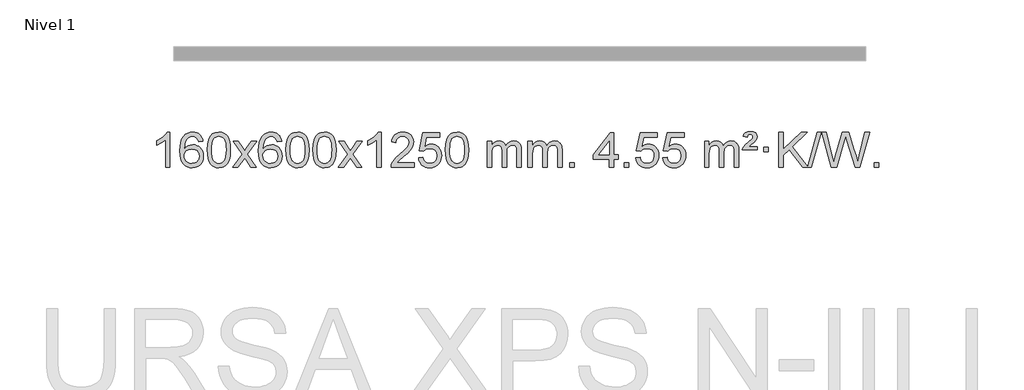
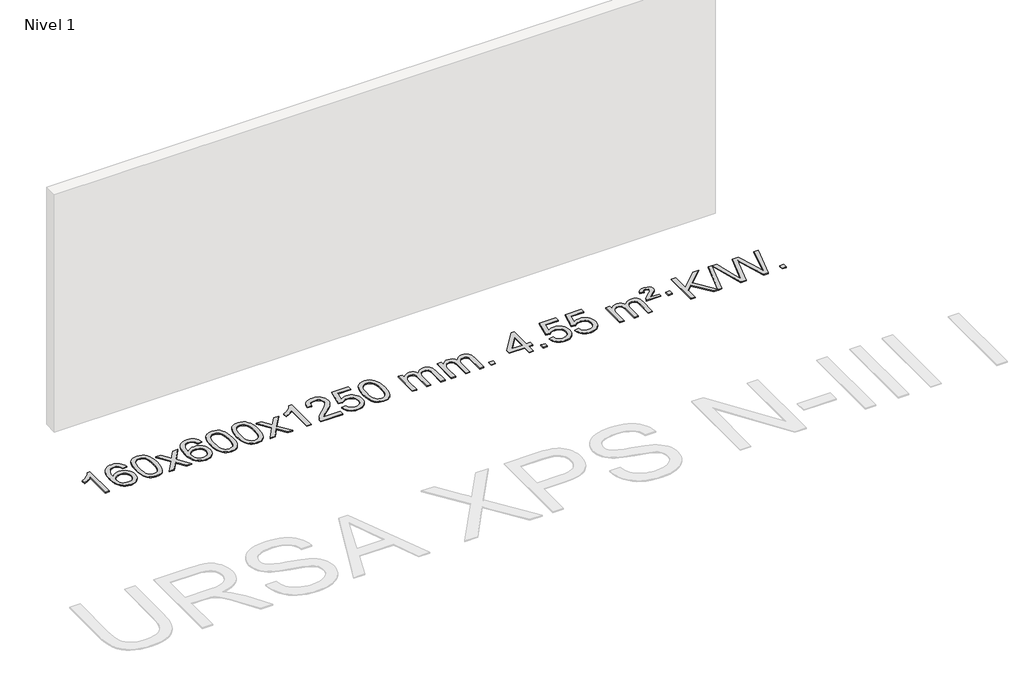
# One storey, part 2 of 9: 1 proxy.
"""IFC4 building model written with IfcOpenShell, lengths in millimetres."""

from ifc_helpers import new_model, si_unit, origin, origin_with_axes, place, context, project, spatial, polyline, outline, extrude, element, save

model = new_model("IFC4")

# Units and contexts
model_context = context("Model", 3, world=origin())
ifc_project = project(units=[si_unit("LENGTHUNIT", "METRE", prefix="MILLI")], contexts=[model_context])

# Site, building, storey
site = spatial("IfcSite", under=ifc_project)
building = spatial("IfcBuilding", under=site)
storey = spatial("IfcBuildingStorey", under=building, Name="Nivel 1", Elevation=0.0)

# Proxy
placement = place(None, origin())
element("IfcBuildingElementProxy", 1, Name="Texto de modelo 1", ObjectType="Texto de modelo 1", at=placement, inside=storey, context=model_context, shape_type="SweptSolid", body=[
    extrude(outline(polyline([(-6575.4615788, -18389.579453), (-6625.6897338, -18389.579453), (-6625.6897338, -18076.4382987), (-6646.6590076, -18093.3976587), (-6673.2691385, -18110.3324932), (-6726.146044, -18135.6918254), (-6726.146044, -18088.2105225), (-6686.6968314, -18066.7507395), (-6652.520594, -18041.219729), (-6625.5793692, -18014.0700378), (-6607.8351943, -17987.7542124), (-6575.4615788, -17987.7542124), (-6575.4615788, -18389.579453)])), origin_with_axes(), (0.0, 0.0, 1.0), 10.0),
    extrude(outline(polyline([(-6198.7504157, -18094.4890419), (-6248.9785708, -18100.7675613), (-6257.0719747, -18075.874213), (-6268.0103327, -18058.8780648), (-6290.7944909, -18043.2062918), (-6318.3365896, -18037.9823675), (-6341.6848336, -18041.0235253), (-6363.6596514, -18050.1469988), (-6382.5319978, -18069.3627017), (-6397.9462534, -18095.8134171), (-6408.3573138, -18133.227016), (-6412.2200748, -18185.3313693), (-6392.0724042, -18161.8237098), (-6367.9270826, -18145.2567573), (-6341.1330106, -18135.434308), (-6313.0390889, -18132.1601582), (-6288.90603, -18134.398107), (-6266.6369065, -18141.1119534), (-6246.2317185, -18152.3016975), (-6227.690466, -18167.9673391), (-6212.2823418, -18187.1769106), (-6201.2765387, -18208.9984443), (-6194.6730569, -18233.4319401), (-6192.4718963, -18260.4773982), (-6196.6167001, -18296.4439945), (-6209.0511116, -18329.786366), (-6228.745061, -18358.0642287), (-6254.668479, -18378.8372987), (-6285.644143, -18391.602804), (-6320.4948306, -18395.8579724), (-6350.4373594, -18393.0375437), (-6377.4797517, -18384.5762579), (-6401.6220076, -18370.4741147), (-6422.8641272, -18350.7311143), (-6440.1821721, -18324.5133908), (-6452.5522042, -18290.9870783), (-6459.9742234, -18250.1521768), (-6462.4482298, -18202.0086864), (-6459.7013776, -18148.0342663), (-6451.4608209, -18101.9693092), (-6437.7265598, -18063.8138149), (-6418.4985942, -18033.5677835), (-6397.6580791, -18013.5243462), (-6373.4943634, -17999.2076052), (-6346.007447, -17990.6175606), (-6315.1973299, -17987.7542124), (-6292.0636838, -17989.5261773), (-6271.1250669, -17994.8420722), (-6252.3814792, -18003.7018969), (-6235.8329208, -18016.1056515), (-6221.9269814, -18031.6364031), (-6211.1112507, -18049.8772186), (-6203.3857288, -18070.8280983), (-6198.7504157, -18094.4890419)]), holes=[polyline([(-6412.2200748, -18259.6925832), (-6409.313807, -18281.9494439), (-6400.5950037, -18303.2007605), (-6387.0569463, -18321.472233), (-6369.6929161, -18334.7895612), (-6348.7359051, -18342.9197533), (-6324.4189053, -18345.6298173), (-6291.2727375, -18340.0134855), (-6277.357601, -18332.9930708), (-6265.2144295, -18323.1644901), (-6255.3643891, -18310.9262824), (-6248.3286459, -18296.6769865), (-6242.7000514, -18262.1451299), (-6248.2550695, -18228.9989621), (-6255.1988422, -18215.3781312), (-6264.9201239, -18203.725469), (-6277.1000836, -18194.3904634), (-6291.4198903, -18187.7226022), (-6326.4790444, -18182.3883133), (-6359.5761613, -18187.7226022), (-6387.25315, -18203.725469), (-6398.1761796, -18215.2248471), (-6405.9783436, -18228.3858254), (-6410.659642, -18243.2084042), (-6412.2200748, -18259.6925832)])]), origin_with_axes(), (0.0, 0.0, 1.0), 10.0),
    extrude(outline(polyline([(-6148.5222606, -18191.9041943), (-6144.8311779, -18127.5861588), (-6133.7579299, -18076.2911459), (-6115.4128811, -18037.2343407), (-6103.5548181, -18022.0009605), (-6089.9063961, -18009.6309284), (-6074.4216298, -18000.0598651), (-6057.0545339, -17993.2233914), (-6016.6733536, -17987.7542124), (-5985.722215, -17990.991574), (-5958.0084381, -18000.7036586), (-5934.8318724, -18016.5103217), (-5917.4923677, -18038.0314184), (-5904.3957686, -18065.0830078), (-5893.94792, -18097.4811488), (-5887.1053149, -18138.6226186), (-5884.8244465, -18191.9041943), (-5888.478741, -18255.8543477), (-5899.4416244, -18307.0267333), (-5917.6763087, -18346.1203266), (-5929.5067805, -18361.3996922), (-5943.1460055, -18373.8341036), (-5958.6491659, -18383.4695462), (-5976.071444, -18390.3520052), (-6016.6733536, -18395.8579724), (-6044.3380796, -18393.4667394), (-6068.8635459, -18386.2930405), (-6090.2497526, -18374.3368757), (-6108.4966996, -18357.5982449), (-6126.0078825, -18327.3399508), (-6138.5158704, -18289.6381776), (-6146.0206631, -18244.4929255), (-6148.5222606, -18191.9041943)]), holes=[polyline([(-6098.2941056, -18191.8060924), (-6096.8225776, -18235.4706195), (-6092.4079936, -18270.8148822), (-6085.0503537, -18297.8388804), (-6074.7496579, -18316.5426142), (-6062.290721, -18329.2682656), (-6048.4583579, -18338.3580165), (-6033.2525688, -18343.8118671), (-6016.6733536, -18345.6298173), (-6000.0941383, -18343.8057357), (-5984.8883492, -18338.3334911), (-5971.0559862, -18329.2130833), (-5958.5970493, -18316.4445124), (-5948.2963534, -18297.7101217), (-5940.9387135, -18270.6922549), (-5936.5241295, -18235.3909118), (-5935.0526016, -18191.8060924), (-5936.4750786, -18149.2973278), (-5940.7425098, -18114.5753989), (-5947.854895, -18087.6403055), (-5957.8122343, -18068.4920476), (-5970.0627048, -18055.1440625), (-5984.0544833, -18045.6097875), (-5999.78757, -18039.8892225), (-6017.2619648, -18037.9823675), (-6033.7553409, -18039.6623619), (-6048.7036126, -18044.7023452), (-6062.10678, -18053.1023175), (-6073.9648429, -18064.8622786), (-6084.6088953, -18085.708925), (-6092.2117899, -18113.8151094), (-6096.7735266, -18149.1808319), (-6098.2941056, -18191.8060924)])]), origin_with_axes(), (0.0, 0.0, 1.0), 10.0),
    extrude(outline(polyline([(-5859.7103689, -18389.579453), (-5752.3869282, -18241.2494325), (-5853.4318496, -18094.4890419), (-5793.0011005, -18094.4890419), (-5744.2444734, -18165.122385), (-5721.4848406, -18198.4770192), (-5701.7663657, -18171.2047007), (-5646.2407099, -18094.4890419), (-5585.8099608, -18094.4890419), (-5691.9561791, -18241.2494325), (-5589.7340354, -18389.579453), (-5650.1647845, -18389.579453), (-5711.6746541, -18300.4048574), (-5722.9563686, -18284.1199477), (-5799.2796199, -18389.579453), (-5859.7103689, -18389.579453)])), origin_with_axes(), (0.0, 0.0, 1.0), 10.0),
    extrude(outline(polyline([(-5300.9221437, -18094.4890419), (-5351.1502988, -18100.7675613), (-5359.2437027, -18075.874213), (-5370.1820607, -18058.8780648), (-5392.9662189, -18043.2062918), (-5420.5083176, -18037.9823675), (-5443.8565616, -18041.0235253), (-5465.8313794, -18050.1469988), (-5484.7037258, -18069.3627017), (-5500.1179814, -18095.8134171), (-5510.5290419, -18133.227016), (-5514.3918028, -18185.3313693), (-5494.2441322, -18161.8237098), (-5470.0988106, -18145.2567573), (-5443.3047386, -18135.434308), (-5415.2108169, -18132.1601582), (-5391.077758, -18134.398107), (-5368.8086346, -18141.1119534), (-5348.4034466, -18152.3016975), (-5329.862194, -18167.9673391), (-5314.4540698, -18187.1769106), (-5303.4482668, -18208.9984443), (-5296.844785, -18233.4319401), (-5294.6436244, -18260.4773982), (-5298.7884282, -18296.4439945), (-5311.2228396, -18329.786366), (-5330.9167891, -18358.0642287), (-5356.840207, -18378.8372987), (-5387.815871, -18391.602804), (-5422.6665587, -18395.8579724), (-5452.6090874, -18393.0375437), (-5479.6514797, -18384.5762579), (-5503.7937357, -18370.4741147), (-5525.0358552, -18350.7311143), (-5542.3539001, -18324.5133908), (-5554.7239322, -18290.9870783), (-5562.1459515, -18250.1521768), (-5564.6199579, -18202.0086864), (-5561.8731057, -18148.0342663), (-5553.632549, -18101.9693092), (-5539.8982878, -18063.8138149), (-5520.6703222, -18033.5677835), (-5499.8298072, -18013.5243462), (-5475.6660915, -17999.2076052), (-5448.179175, -17990.6175606), (-5417.3690579, -17987.7542124), (-5394.2354118, -17989.5261773), (-5373.2967949, -17994.8420722), (-5354.5532073, -18003.7018969), (-5338.0046489, -18016.1056515), (-5324.0987094, -18031.6364031), (-5313.2829788, -18049.8772186), (-5305.5574569, -18070.8280983), (-5300.9221437, -18094.4890419)]), holes=[polyline([(-5514.3918028, -18259.6925832), (-5511.485535, -18281.9494439), (-5502.7667318, -18303.2007605), (-5489.2286743, -18321.472233), (-5471.8646442, -18334.7895612), (-5450.9076332, -18342.9197533), (-5426.5906333, -18345.6298173), (-5393.4444655, -18340.0134855), (-5379.5293291, -18332.9930708), (-5367.3861575, -18323.1644901), (-5357.5361171, -18310.9262824), (-5350.500374, -18296.6769865), (-5344.8717794, -18262.1451299), (-5350.4267976, -18228.9989621), (-5357.3705702, -18215.3781312), (-5367.0918519, -18203.725469), (-5379.2718117, -18194.3904634), (-5393.5916183, -18187.7226022), (-5428.6507725, -18182.3883133), (-5461.7478893, -18187.7226022), (-5489.4248781, -18203.725469), (-5500.3479076, -18215.2248471), (-5508.1500716, -18228.3858254), (-5512.83137, -18243.2084042), (-5514.3918028, -18259.6925832)])]), origin_with_axes(), (0.0, 0.0, 1.0), 10.0),
    extrude(outline(polyline([(-5250.6939887, -18191.9041943), (-5247.002906, -18127.5861588), (-5235.9296579, -18076.2911459), (-5217.5846091, -18037.2343407), (-5205.7265461, -18022.0009605), (-5192.0781241, -18009.6309284), (-5176.5933578, -18000.0598651), (-5159.2262619, -17993.2233914), (-5118.8450816, -17987.7542124), (-5087.8939431, -17990.991574), (-5060.1801661, -18000.7036586), (-5037.0036004, -18016.5103217), (-5019.6640957, -18038.0314184), (-5006.5674967, -18065.0830078), (-4996.119648, -18097.4811488), (-4989.2770429, -18138.6226186), (-4986.9961745, -18191.9041943), (-4990.650469, -18255.8543477), (-5001.6133525, -18307.0267333), (-5019.8480367, -18346.1203266), (-5031.6785085, -18361.3996922), (-5045.3177335, -18373.8341036), (-5060.8208939, -18383.4695462), (-5078.2431721, -18390.3520052), (-5118.8450816, -18395.8579724), (-5146.5098076, -18393.4667394), (-5171.035274, -18386.2930405), (-5192.4214806, -18374.3368757), (-5210.6684276, -18357.5982449), (-5228.1796106, -18327.3399508), (-5240.6875984, -18289.6381776), (-5248.1923911, -18244.4929255), (-5250.6939887, -18191.9041943)]), holes=[polyline([(-5200.4658336, -18191.8060924), (-5198.9943056, -18235.4706195), (-5194.5797217, -18270.8148822), (-5187.2220818, -18297.8388804), (-5176.9213859, -18316.5426142), (-5164.462449, -18329.2682656), (-5150.630086, -18338.3580165), (-5135.4242968, -18343.8118671), (-5118.8450816, -18345.6298173), (-5102.2658663, -18343.8057357), (-5087.0600772, -18338.3334911), (-5073.2277142, -18329.2130833), (-5060.7687773, -18316.4445124), (-5050.4680814, -18297.7101217), (-5043.1104415, -18270.6922549), (-5038.6958576, -18235.3909118), (-5037.2243296, -18191.8060924), (-5038.6468066, -18149.2973278), (-5042.9142378, -18114.5753989), (-5050.026623, -18087.6403055), (-5059.9839624, -18068.4920476), (-5072.2344328, -18055.1440625), (-5086.2262114, -18045.6097875), (-5101.959298, -18039.8892225), (-5119.4336928, -18037.9823675), (-5135.9270689, -18039.6623619), (-5150.8753406, -18044.7023452), (-5164.278508, -18053.1023175), (-5176.136571, -18064.8622786), (-5186.7806234, -18085.708925), (-5194.3835179, -18113.8151094), (-5198.9452547, -18149.1808319), (-5200.4658336, -18191.8060924)])]), origin_with_axes(), (0.0, 0.0, 1.0), 10.0),
    extrude(outline(polyline([(-4943.0465388, -18191.9041943), (-4939.3554561, -18127.5861588), (-4928.2822081, -18076.2911459), (-4909.9371593, -18037.2343407), (-4898.0790963, -18022.0009605), (-4884.4306743, -18009.6309284), (-4868.945908, -18000.0598651), (-4851.5788121, -17993.2233914), (-4811.1976318, -17987.7542124), (-4780.2464932, -17990.991574), (-4752.5327163, -18000.7036586), (-4729.3561506, -18016.5103217), (-4712.0166459, -18038.0314184), (-4698.9200468, -18065.0830078), (-4688.4721982, -18097.4811488), (-4681.6295931, -18138.6226186), (-4679.3487247, -18191.9041943), (-4683.0030192, -18255.8543477), (-4693.9659026, -18307.0267333), (-4712.2005869, -18346.1203266), (-4724.0310587, -18361.3996922), (-4737.6702837, -18373.8341036), (-4753.1734441, -18383.4695462), (-4770.5957222, -18390.3520052), (-4811.1976318, -18395.8579724), (-4838.8623578, -18393.4667394), (-4863.3878241, -18386.2930405), (-4884.7740308, -18374.3368757), (-4903.0209778, -18357.5982449), (-4920.5321607, -18327.3399508), (-4933.0401486, -18289.6381776), (-4940.5449413, -18244.4929255), (-4943.0465388, -18191.9041943)]), holes=[polyline([(-4892.8183838, -18191.8060924), (-4891.3468558, -18235.4706195), (-4886.9322718, -18270.8148822), (-4879.5746319, -18297.8388804), (-4869.2739361, -18316.5426142), (-4856.8149992, -18329.2682656), (-4842.9826361, -18338.3580165), (-4827.776847, -18343.8118671), (-4811.1976318, -18345.6298173), (-4794.6184165, -18343.8057357), (-4779.4126274, -18338.3334911), (-4765.5802644, -18329.2130833), (-4753.1213275, -18316.4445124), (-4742.8206316, -18297.7101217), (-4735.4629917, -18270.6922549), (-4731.0484077, -18235.3909118), (-4729.5768798, -18191.8060924), (-4730.9993568, -18149.2973278), (-4735.266788, -18114.5753989), (-4742.3791732, -18087.6403055), (-4752.3365125, -18068.4920476), (-4764.586983, -18055.1440625), (-4778.5787615, -18045.6097875), (-4794.3118482, -18039.8892225), (-4811.786243, -18037.9823675), (-4828.2796191, -18039.6623619), (-4843.2278908, -18044.7023452), (-4856.6310582, -18053.1023175), (-4868.4891211, -18064.8622786), (-4879.1331735, -18085.708925), (-4886.7360681, -18113.8151094), (-4891.2978048, -18149.1808319), (-4892.8183838, -18191.8060924)])]), origin_with_axes(), (0.0, 0.0, 1.0), 10.0),
    extrude(outline(polyline([(-4654.2346472, -18389.579453), (-4546.9112064, -18241.2494325), (-4647.9561278, -18094.4890419), (-4587.5253787, -18094.4890419), (-4538.7687516, -18165.122385), (-4516.0091188, -18198.4770192), (-4496.2906439, -18171.2047007), (-4440.7649881, -18094.4890419), (-4380.334239, -18094.4890419), (-4486.4804574, -18241.2494325), (-4384.2583136, -18389.579453), (-4444.6890627, -18389.579453), (-4506.1989323, -18300.4048574), (-4517.4806468, -18284.1199477), (-4593.8038981, -18389.579453), (-4654.2346472, -18389.579453)])), origin_with_axes(), (0.0, 0.0, 1.0), 10.0),
    extrude(outline(polyline([(-4164.5101352, -18389.579453), (-4214.7382902, -18389.579453), (-4214.7382902, -18076.4382987), (-4235.707564, -18093.3976587), (-4262.317695, -18110.3324932), (-4315.1946004, -18135.6918254), (-4315.1946004, -18088.2105225), (-4275.7453878, -18066.7507395), (-4241.5691504, -18041.219729), (-4214.6279257, -18014.0700378), (-4196.8837508, -17987.7542124), (-4164.5101352, -17987.7542124), (-4164.5101352, -18389.579453)])), origin_with_axes(), (0.0, 0.0, 1.0), 10.0),
    extrude(outline(polyline([(-3787.7989721, -18339.3512979), (-3787.7989721, -18389.579453), (-4051.4967863, -18389.579453), (-4050.3931403, -18371.8965918), (-4046.1011837, -18354.9494945), (-4033.7158232, -18327.8856424), (-4015.5915035, -18301.6311307), (-3989.37378, -18274.1503456), (-3952.7082078, -18243.4076736), (-3898.5069272, -18195.2641831), (-3865.9861588, -18159.7267824), (-3849.7257746, -18130.884834), (-3844.3056466, -18102.8277005), (-3849.4192063, -18077.6768347), (-3864.7598855, -18056.7688747), (-3888.3411214, -18042.6789943), (-3918.1763512, -18037.9823675), (-3949.5076345, -18042.5686297), (-3973.8491598, -18056.3274163), (-3989.557721, -18078.1796068), (-3994.9901118, -18107.0460807), (-4045.2182669, -18100.7675613), (-4040.8987191, -18074.838012), (-4033.0413728, -18052.1826125), (-4021.646228, -18032.8013627), (-4006.7132847, -18016.6942627), (-3988.5858994, -18004.0329907), (-3967.6074286, -17994.989225), (-3943.7778724, -17989.5629655), (-3917.0972307, -17987.7542124), (-3890.1774657, -17989.7653006), (-3866.2191508, -17995.7985654), (-3845.2222859, -18005.8540066), (-3827.1868711, -18019.9316242), (-3812.7015175, -18036.9890861), (-3802.3548364, -18055.9840598), (-3796.1468277, -18076.9165453), (-3794.0774915, -18099.7865427), (-3796.3093089, -18123.8092369), (-3803.0047612, -18147.4149983), (-3814.8873497, -18171.4254299), (-3832.6805755, -18196.6621347), (-3861.0442774, -18226.7916701), (-3904.6382938, -18265.4805933), (-3962.4202925, -18313.795762), (-3985.0818234, -18339.3512979), (-3787.7989721, -18339.3512979)])), origin_with_axes(), (0.0, 0.0, 1.0), 10.0),
    extrude(outline(polyline([(-3737.570817, -18282.8446235), (-3687.342662, -18276.5661041), (-3678.1210866, -18306.7201649), (-3662.0323807, -18328.3148381), (-3639.1501206, -18341.3010725), (-3609.5478827, -18345.6298173), (-3590.418019, -18344.1245668), (-3573.5444981, -18339.6088153), (-3558.9273202, -18332.0825628), (-3546.5664851, -18321.5458094), (-3536.7379045, -18308.519721), (-3529.7174898, -18293.5254641), (-3524.101158, -18257.6324441), (-3529.3618705, -18223.8363514), (-3535.9377612, -18209.9181493), (-3545.1440081, -18197.9865099), (-3557.0112681, -18188.4154467), (-3571.5701981, -18181.5789729), (-3608.7630678, -18176.1097939), (-3633.1291186, -18178.2925604), (-3652.8598563, -18184.8408599), (-3668.6174684, -18194.8717757), (-3681.0641426, -18207.5023908), (-3731.2922977, -18201.2238715), (-3687.342662, -17994.0327318), (-3492.708561, -17994.0327318), (-3492.708561, -18044.2608869), (-3646.7284897, -18044.2608869), (-3668.2127982, -18154.919791), (-3650.4870174, -18142.2155994), (-3632.332041, -18133.1411769), (-3613.7478688, -18127.6965234), (-3594.734501, -18125.8816388), (-3570.273414, -18128.1318504), (-3547.8050212, -18134.882485), (-3527.3293225, -18146.1335427), (-3508.8463179, -18161.8850234), (-3493.5454926, -18181.1743027), (-3482.6163316, -18203.038756), (-3476.0588351, -18227.4783832), (-3473.8730029, -18254.4931844), (-3475.8411716, -18280.5147042), (-3481.7456776, -18304.7213394), (-3491.586521, -18327.1130902), (-3505.3637017, -18347.6899565), (-3526.2348735, -18368.7634634), (-3550.5886616, -18383.8159684), (-3578.4250659, -18392.8474714), (-3609.7440864, -18395.8579724), (-3635.6644387, -18393.9235262), (-3659.077062, -18388.1201877), (-3679.9819564, -18378.447957), (-3698.3791218, -18364.9068338), (-3713.6860785, -18348.1712688), (-3725.3203466, -18328.915712), (-3733.2819261, -18307.1401636), (-3737.570817, -18282.8446235)])), origin_with_axes(), (0.0, 0.0, 1.0), 10.0),
    extrude(outline(polyline([(-3429.9233672, -18191.9041943), (-3426.2322845, -18127.5861588), (-3415.1590365, -18076.2911459), (-3396.8139876, -18037.2343407), (-3384.9559247, -18022.0009605), (-3371.3075026, -18009.6309284), (-3355.8227363, -18000.0598651), (-3338.4556405, -17993.2233914), (-3298.0744601, -17987.7542124), (-3267.1233216, -17990.991574), (-3239.4095446, -18000.7036586), (-3216.2329789, -18016.5103217), (-3198.8934742, -18038.0314184), (-3185.7968752, -18065.0830078), (-3175.3490265, -18097.4811488), (-3168.5064214, -18138.6226186), (-3166.2255531, -18191.9041943), (-3169.8798475, -18255.8543477), (-3180.842731, -18307.0267333), (-3199.0774152, -18346.1203266), (-3210.9078871, -18361.3996922), (-3224.547112, -18373.8341036), (-3240.0502724, -18383.4695462), (-3257.4725506, -18390.3520052), (-3298.0744601, -18395.8579724), (-3325.7391862, -18393.4667394), (-3350.2646525, -18386.2930405), (-3371.6508592, -18374.3368757), (-3389.8978061, -18357.5982449), (-3407.4089891, -18327.3399508), (-3419.9169769, -18289.6381776), (-3427.4217696, -18244.4929255), (-3429.9233672, -18191.9041943)]), holes=[polyline([(-3379.6952121, -18191.8060924), (-3378.2236842, -18235.4706195), (-3373.8091002, -18270.8148822), (-3366.4514603, -18297.8388804), (-3356.1507644, -18316.5426142), (-3343.6918275, -18329.2682656), (-3329.8594645, -18338.3580165), (-3314.6536754, -18343.8118671), (-3298.0744601, -18345.6298173), (-3281.4952449, -18343.8057357), (-3266.2894558, -18338.3334911), (-3252.4570927, -18329.2130833), (-3239.9981558, -18316.4445124), (-3229.69746, -18297.7101217), (-3222.3398201, -18270.6922549), (-3217.9252361, -18235.3909118), (-3216.4537081, -18191.8060924), (-3217.8761852, -18149.2973278), (-3222.1436163, -18114.5753989), (-3229.2560016, -18087.6403055), (-3239.2133409, -18068.4920476), (-3251.4638113, -18055.1440625), (-3265.4555899, -18045.6097875), (-3281.1886766, -18039.8892225), (-3298.6630713, -18037.9823675), (-3315.1564474, -18039.6623619), (-3330.1047192, -18044.7023452), (-3343.5078865, -18053.1023175), (-3355.3659495, -18064.8622786), (-3366.0100019, -18085.708925), (-3373.6128965, -18113.8151094), (-3378.1746332, -18149.1808319), (-3379.6952121, -18191.8060924)])]), origin_with_axes(), (0.0, 0.0, 1.0), 10.0),
    extrude(outline(polyline([(-2952.755894, -18389.579453), (-2952.755894, -18094.4890419), (-2902.5277389, -18094.4890419), (-2902.5277389, -18143.0494653), (-2887.4200517, -18120.7435537), (-2867.9958823, -18103.2691589), (-2844.9174185, -18091.9751816), (-2818.8468478, -18088.2105225), (-2790.9123416, -18092.048758), (-2768.5205908, -18103.5634645), (-2751.7942228, -18121.9943524), (-2740.8558648, -18146.5811324), (-2722.5476041, -18121.0439906), (-2701.6641696, -18102.803175), (-2678.205561, -18091.8586857), (-2652.1717785, -18088.2105225), (-2632.0639617, -18089.7280358), (-2614.414823, -18094.2805755), (-2599.2243623, -18101.8681416), (-2586.4925796, -18112.4907342), (-2576.4279413, -18126.2709806), (-2569.238914, -18143.3315082), (-2564.9254976, -18163.6723168), (-2563.4876922, -18187.2934066), (-2563.4876922, -18389.579453), (-2613.7158472, -18389.579453), (-2613.7158472, -18208.875817), (-2614.8808069, -18183.8230531), (-2618.3756858, -18166.9372695), (-2624.9239854, -18155.3735121), (-2635.2492067, -18146.2868268), (-2648.5297467, -18140.4007149), (-2663.9440023, -18138.4386776), (-2691.1550072, -18143.4663982), (-2713.3382915, -18158.54956), (-2721.9436645, -18170.1194488), (-2728.0903595, -18184.7182326), (-2733.0077155, -18223.0024856), (-2733.0077155, -18389.579453), (-2783.2358706, -18389.579453), (-2783.2358706, -18203.2840106), (-2786.1421384, -18174.8835206), (-2794.8609417, -18154.6254854), (-2810.2016209, -18142.4853796), (-2832.9735164, -18138.4386776), (-2852.3241093, -18141.1364789), (-2870.1541233, -18149.2298828), (-2884.8694032, -18162.5226856), (-2894.8757934, -18180.8186835), (-2900.6147525, -18206.2025411), (-2902.5277389, -18240.7589232), (-2902.5277389, -18389.579453), (-2952.755894, -18389.579453)])), origin_with_axes(), (0.0, 0.0, 1.0), 10.0),
    extrude(outline(polyline([(-2488.1454596, -18389.579453), (-2488.1454596, -18094.4890419), (-2437.9173045, -18094.4890419), (-2437.9173045, -18143.0494653), (-2422.8096172, -18120.7435537), (-2403.3854479, -18103.2691589), (-2380.306984, -18091.9751816), (-2354.2364133, -18088.2105225), (-2326.3019071, -18092.048758), (-2303.9101564, -18103.5634645), (-2287.1837883, -18121.9943524), (-2276.2454303, -18146.5811324), (-2257.9371697, -18121.0439906), (-2237.0537351, -18102.803175), (-2213.5951266, -18091.8586857), (-2187.561344, -18088.2105225), (-2167.4535273, -18089.7280358), (-2149.8043886, -18094.2805755), (-2134.6139279, -18101.8681416), (-2121.8821452, -18112.4907342), (-2111.8175069, -18126.2709806), (-2104.6284796, -18143.3315082), (-2100.3150632, -18163.6723168), (-2098.8772577, -18187.2934066), (-2098.8772577, -18389.579453), (-2149.1054128, -18389.579453), (-2149.1054128, -18208.875817), (-2150.2703724, -18183.8230531), (-2153.7652514, -18166.9372695), (-2160.3135509, -18155.3735121), (-2170.6387722, -18146.2868268), (-2183.9193123, -18140.4007149), (-2199.3335679, -18138.4386776), (-2226.5445728, -18143.4663982), (-2248.7278571, -18158.54956), (-2257.3332301, -18170.1194488), (-2263.4799251, -18184.7182326), (-2268.3972811, -18223.0024856), (-2268.3972811, -18389.579453), (-2318.6254362, -18389.579453), (-2318.6254362, -18203.2840106), (-2321.5317039, -18174.8835206), (-2330.2505072, -18154.6254854), (-2345.5911864, -18142.4853796), (-2368.3630819, -18138.4386776), (-2387.7136749, -18141.1364789), (-2405.5436889, -18149.2298828), (-2420.2589687, -18162.5226856), (-2430.265359, -18180.8186835), (-2436.0043181, -18206.2025411), (-2437.9173045, -18240.7589232), (-2437.9173045, -18389.579453), (-2488.1454596, -18389.579453)])), origin_with_axes(), (0.0, 0.0, 1.0), 10.0),
    extrude(outline(polyline([(-2010.9779863, -18389.579453), (-2010.9779863, -18339.3512979), (-1960.7498313, -18339.3512979), (-1960.7498313, -18389.579453), (-2010.9779863, -18389.579453)])), origin_with_axes(), (0.0, 0.0, 1.0), 10.0),
    extrude(outline(polyline([(-1558.9245907, -18389.579453), (-1558.9245907, -18295.4016622), (-1741.0016528, -18295.4016622), (-1741.0016528, -18245.1735072), (-1546.3675519, -17994.0327318), (-1508.6964356, -17994.0327318), (-1508.6964356, -18245.1735072), (-1458.4682805, -18245.1735072), (-1458.4682805, -18295.4016622), (-1508.6964356, -18295.4016622), (-1508.6964356, -18389.579453), (-1558.9245907, -18389.579453)]), holes=[polyline([(-1558.9245907, -18245.1735072), (-1558.9245907, -18089.9763561), (-1679.1974776, -18245.1735072), (-1558.9245907, -18245.1735072)])]), origin_with_axes(), (0.0, 0.0, 1.0), 10.0),
    extrude(outline(polyline([(-1389.4045673, -18389.579453), (-1389.4045673, -18339.3512979), (-1339.1764122, -18339.3512979), (-1339.1764122, -18389.579453), (-1389.4045673, -18389.579453)])), origin_with_axes(), (0.0, 0.0, 1.0), 10.0),
    extrude(outline(polyline([(-1257.5556602, -18282.8446235), (-1207.3275051, -18276.5661041), (-1198.1059298, -18306.7201649), (-1182.0172239, -18328.3148381), (-1159.1349638, -18341.3010725), (-1129.5327259, -18345.6298173), (-1110.4028621, -18344.1245668), (-1093.5293413, -18339.6088153), (-1078.9121634, -18332.0825628), (-1066.5513283, -18321.5458094), (-1056.7227477, -18308.519721), (-1049.7023329, -18293.5254641), (-1044.0860012, -18257.6324441), (-1049.3467137, -18223.8363514), (-1055.9226043, -18209.9181493), (-1065.1288513, -18197.9865099), (-1076.9961113, -18188.4154467), (-1091.5550413, -18181.5789729), (-1128.747911, -18176.1097939), (-1153.1139618, -18178.2925604), (-1172.8446995, -18184.8408599), (-1188.6023116, -18194.8717757), (-1201.0489858, -18207.5023908), (-1251.2771408, -18201.2238715), (-1207.3275051, -17994.0327318), (-1012.6934042, -17994.0327318), (-1012.6934042, -18044.2608869), (-1166.7133329, -18044.2608869), (-1188.1976414, -18154.919791), (-1170.4718606, -18142.2155994), (-1152.3168841, -18133.1411769), (-1133.732712, -18127.6965234), (-1114.7193442, -18125.8816388), (-1090.2582572, -18128.1318504), (-1067.7898644, -18134.882485), (-1047.3141657, -18146.1335427), (-1028.8311611, -18161.8850234), (-1013.5303358, -18181.1743027), (-1002.6011748, -18203.038756), (-996.0436783, -18227.4783832), (-993.8578461, -18254.4931844), (-995.8260148, -18280.5147042), (-1001.7305208, -18304.7213394), (-1011.5713641, -18327.1130902), (-1025.3485449, -18347.6899565), (-1046.2197167, -18368.7634634), (-1070.5735048, -18383.8159684), (-1098.4099091, -18392.8474714), (-1129.7289296, -18395.8579724), (-1155.6492819, -18393.9235262), (-1179.0619052, -18388.1201877), (-1199.9667996, -18378.447957), (-1218.363965, -18364.9068338), (-1233.6709217, -18348.1712688), (-1245.3051898, -18328.915712), (-1253.2667693, -18307.1401636), (-1257.5556602, -18282.8446235)])), origin_with_axes(), (0.0, 0.0, 1.0), 10.0),
    extrude(outline(polyline([(-949.9082104, -18282.8446235), (-899.6800553, -18276.5661041), (-890.45848, -18306.7201649), (-874.369774, -18328.3148381), (-851.4875139, -18341.3010725), (-821.8852761, -18345.6298173), (-802.7554123, -18344.1245668), (-785.8818915, -18339.6088153), (-771.2647135, -18332.0825628), (-758.9038785, -18321.5458094), (-749.0752979, -18308.519721), (-742.0548831, -18293.5254641), (-736.4385513, -18257.6324441), (-741.6992639, -18223.8363514), (-748.2751545, -18209.9181493), (-757.4814014, -18197.9865099), (-769.3486615, -18188.4154467), (-783.9075914, -18181.5789729), (-821.1004611, -18176.1097939), (-845.466512, -18178.2925604), (-865.1972496, -18184.8408599), (-880.9548618, -18194.8717757), (-893.4015359, -18207.5023908), (-943.629691, -18201.2238715), (-899.6800553, -17994.0327318), (-705.0459544, -17994.0327318), (-705.0459544, -18044.2608869), (-859.065883, -18044.2608869), (-880.5501916, -18154.919791), (-862.8244108, -18142.2155994), (-844.6694343, -18133.1411769), (-826.0852622, -18127.6965234), (-807.0718944, -18125.8816388), (-782.6108074, -18128.1318504), (-760.1424145, -18134.882485), (-739.6667158, -18146.1335427), (-721.1837113, -18161.8850234), (-705.8828859, -18181.1743027), (-694.953725, -18203.038756), (-688.3962284, -18227.4783832), (-686.2103962, -18254.4931844), (-688.1785649, -18280.5147042), (-694.0830709, -18304.7213394), (-703.9239143, -18327.1130902), (-717.701095, -18347.6899565), (-738.5722669, -18368.7634634), (-762.926055, -18383.8159684), (-790.7624593, -18392.8474714), (-822.0814798, -18395.8579724), (-848.001832, -18393.9235262), (-871.4144553, -18388.1201877), (-892.3193497, -18378.447957), (-910.7165152, -18364.9068338), (-926.0234719, -18348.1712688), (-937.6577399, -18328.915712), (-945.6193195, -18307.1401636), (-949.9082104, -18282.8446235)])), origin_with_axes(), (0.0, 0.0, 1.0), 10.0),
    extrude(outline(polyline([(-472.7407372, -18389.579453), (-472.7407372, -18094.4890419), (-422.5125821, -18094.4890419), (-422.5125821, -18143.0494653), (-407.4048948, -18120.7435537), (-387.9807255, -18103.2691589), (-364.9022617, -18091.9751816), (-338.8316909, -18088.2105225), (-310.8971848, -18092.048758), (-288.505434, -18103.5634645), (-271.7790659, -18121.9943524), (-260.840708, -18146.5811324), (-242.5324473, -18121.0439906), (-221.6490127, -18102.803175), (-198.1904042, -18091.8586857), (-172.1566217, -18088.2105225), (-152.0488049, -18089.7280358), (-134.3996662, -18094.2805755), (-119.2092055, -18101.8681416), (-106.4774228, -18112.4907342), (-96.4127845, -18126.2709806), (-89.2237572, -18143.3315082), (-84.9103408, -18163.6723168), (-83.4725353, -18187.2934066), (-83.4725353, -18389.579453), (-133.7006904, -18389.579453), (-133.7006904, -18208.875817), (-134.8656501, -18183.8230531), (-138.360529, -18166.9372695), (-144.9088285, -18155.3735121), (-155.2340499, -18146.2868268), (-168.5145899, -18140.4007149), (-183.9288455, -18138.4386776), (-211.1398504, -18143.4663982), (-233.3231347, -18158.54956), (-241.9285077, -18170.1194488), (-248.0752027, -18184.7182326), (-252.9925587, -18223.0024856), (-252.9925587, -18389.579453), (-303.2207138, -18389.579453), (-303.2207138, -18203.2840106), (-306.1269816, -18174.8835206), (-314.8457848, -18154.6254854), (-330.186464, -18142.4853796), (-352.9583595, -18138.4386776), (-372.3089525, -18141.1364789), (-390.1389665, -18149.2298828), (-404.8542463, -18162.5226856), (-414.8606366, -18180.8186835), (-420.5995957, -18206.2025411), (-422.5125821, -18240.7589232), (-422.5125821, -18389.579453), (-472.7407372, -18389.579453)])), origin_with_axes(), (0.0, 0.0, 1.0), 10.0),
    extrude(outline(polyline([(-39.5228997, -18188.6668327), (-35.6969269, -18172.8479069), (-27.3582683, -18156.9799302), (-5.8494344, -18131.8413272), (26.1072483, -18104.1030247), (70.2530877, -18066.726214), (77.3899984, -18055.1992448), (79.7689686, -18043.3779701), (77.8805077, -18031.2869152), (72.215125, -18021.5012541), (62.8463969, -18015.026531), (49.8478997, -18012.8682899), (37.4134883, -18014.4869707), (28.5597949, -18019.343013), (22.1341227, -18028.8098431), (16.9837748, -18044.2608869), (-33.2443803, -18037.9823675), (-22.4041241, -18012.7701881), (-5.775858, -17995.2099542), (17.9893189, -17984.9092583), (50.2403072, -17981.475693), (86.0229626, -17985.6082341), (110.7691581, -17998.0058573), (125.1901323, -18016.3386434), (129.9971237, -18038.2766731), (125.9013708, -18061.1834586), (113.6141122, -18082.8149199), (93.0862969, -18102.6314968), (56.6169284, -18130.6886303), (31.0123416, -18157.2742358), (129.9971237, -18157.2742358), (129.9971237, -18188.6668327), (-39.5228997, -18188.6668327)])), origin_with_axes(), (0.0, 0.0, 1.0), 10.0),
    extrude(outline(polyline([(205.3393563, -18213.7809102), (205.3393563, -18163.5527552), (255.5675114, -18163.5527552), (255.5675114, -18213.7809102), (205.3393563, -18213.7809102)])), origin_with_axes(), (0.0, 0.0, 1.0), 10.0),
    extrude(outline(polyline([(646.2091394, -18389.579453), (492.7778219, -18186.9009991), (425.0875348, -18251.4520265), (425.0875348, -18389.579453), (374.8593797, -18389.579453), (374.8593797, -17987.7542124), (425.0875348, -17987.7542124), (425.0875348, -18184.4484525), (631.1014521, -17987.7542124), (701.3423877, -17987.7542124), (528.388799, -18152.9577537), (703.0424089, -18383.5349332), (814.3557366, -17987.7542124), (859.6787984, -17987.7542124), (746.6654495, -18389.579453), (707.6209071, -18389.579453), (701.3423877, -18389.579453), (646.2091394, -18389.579453)])), origin_with_axes(), (0.0, 0.0, 1.0), 10.0),
    extrude(outline(polyline([(974.1636753, -18389.579453), (864.5838917, -17987.7542124), (916.3816766, -17987.7542124), (979.9516854, -18251.844434), (999.5720585, -18333.3670841), (1020.5658576, -18261.2622131), (1100.2245723, -17987.7542124), (1174.8800919, -17987.7542124), (1232.7601925, -18186.0180823), (1257.5554389, -18259.5944814), (1275.8269114, -18333.3670841), (1294.8586732, -18254.1988788), (1359.0172932, -17987.7542124), (1410.8150781, -17987.7542124), (1301.1371926, -18389.579453), (1247.4754723, -18389.579453), (1151.1394405, -18079.5775584), (1137.6994849, -18036.3146358), (1122.5917976, -18088.4067263), (1034.7906281, -18389.579453), (974.1636753, -18389.579453)])), origin_with_axes(), (0.0, 0.0, 1.0), 10.0),
    extrude(outline(polyline([(1467.3217526, -18389.579453), (1467.3217526, -18339.3512979), (1517.5499077, -18339.3512979), (1517.5499077, -18389.579453), (1467.3217526, -18389.579453)])), origin_with_axes(), (0.0, 0.0, 1.0), 10.0),
])

save(model, "model.ifc")
